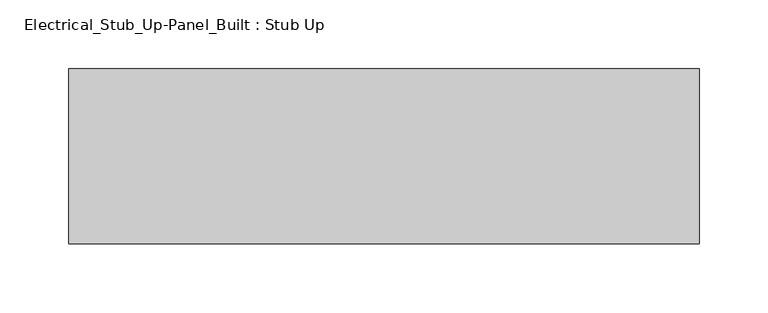
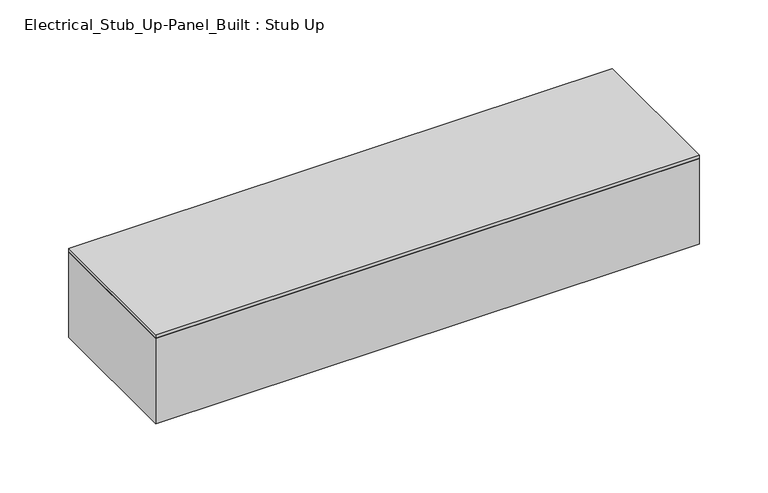
"""IFC4 building model written with IfcOpenShell, lengths in millimetres: proxy geometry, Electrical_Stub_Up-Panel_Built : Stub Up."""

from ifc_helpers import new_model, si_unit, frame, origin, origin_with_axes, place, context, project, spatial, polyline, outline, extrude, source, transform, mapped, element, save


def electrical_stub_up_panel_built_stub_up_fb591a85(model_context):
    return source(origin(), model_context, "Body", "SweptSolid", [
        extrude(outline(polyline([(228.6, 63.5), (228.6, -63.5), (-228.6, -63.5), (-228.6, 63.5), (228.6, 63.5)])), frame((0.0, 0.0, -76.2), z_axis=(0.0, 0.0, 1.0), x_axis=(1.0, 0.0, 0.0)), (0.0, 0.0, 1.0), 76.2),
        extrude(outline(polyline([(228.6, 63.5), (228.6, -63.5), (-228.6, -63.5), (-228.6, 63.5), (228.6, 63.5)])), origin_with_axes(), (0.0, 0.0, 1.0), 3.175),
    ])


if __name__ == "__main__":
    model = new_model("IFC4")
    model_context = context("Model", 3, world=origin())
    ifc_project = project(units=[si_unit("LENGTHUNIT", "METRE", prefix="MILLI")], contexts=[model_context])
    site = spatial("IfcSite", under=ifc_project)
    building = spatial("IfcBuilding", under=site)
    placement = place(None, origin())
    electrical_stub_up_panel_built_stub_up_shape = electrical_stub_up_panel_built_stub_up_fb591a85(model_context)
    element("IfcBuildingElementProxy", 1, Name="Electrical_Stub_Up-Panel_Built : Stub Up", ObjectType="Electrical_Stub_Up-Panel_Built : Stub Up", at=placement, inside=building, context=model_context, shape_type="MappedRepresentation", body=[
        mapped(electrical_stub_up_panel_built_stub_up_shape, transform((0.0, 0.0, 0.0), x_axis=(1.0, 0.0, 0.0), y_axis=(0.0, 1.0, 0.0), z_axis=(0.0, 0.0, 1.0))),
    ])
    save(model, "model.ifc")
